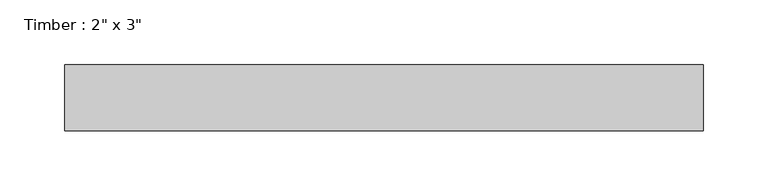
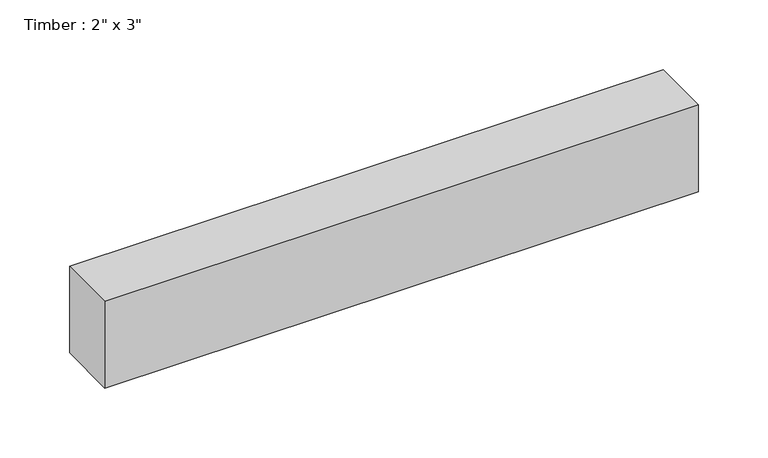
"""IFC4 building model written with IfcOpenShell, lengths in millimetres: beam geometry."""

import ifcopenshell
import ifcopenshell.guid

model = None  # the IFC model being written
_history = None  # IfcOwnerHistory: only IFC2X3 demands one
_inside = {}  # id of a spatial element -> (the spatial element, [elements in it])
_under = {}  # id of a project, library or spatial element -> (it, [spatial elements below it])
_declared = {}  # id of a project -> (the project, [libraries it declares])
_typed = {}  # id of a type object -> (the type object, [elements of that type])
_made_of = {}  # id of a material, layer set ... -> (it, [elements and type objects made of it])


def new_model(schema):
    """Start an empty IFC model of exactly this schema.

    Asked for "IFC4X3", IfcOpenShell would pick the latest addendum, in which some entities
    have other attributes; the version numbers below select the first issue.
    IFC2X3 requires an IfcOwnerHistory on every rooted entity: one is made here for all.
    """
    global model, _history
    if schema == "IFC4X3":
        model = ifcopenshell.file(schema_version=(4, 3, 0, 0))
    else:
        model = ifcopenshell.file(schema=schema)
    _inside.clear()
    _under.clear()
    _declared.clear()
    _typed.clear()
    _made_of.clear()
    _history = None
    if model.schema == "IFC2X3":
        org = make("IfcOrganization", Name="unknown")
        user = make(
            "IfcPersonAndOrganization",
            ThePerson=make("IfcPerson", FamilyName="unknown"),
            TheOrganization=org,
        )
        app = make(
            "IfcApplication",
            ApplicationDeveloper=org,
            Version="unknown",
            ApplicationFullName="unknown",
            ApplicationIdentifier="unknown",
        )
        _history = make(
            "IfcOwnerHistory",
            OwningUser=user,
            OwningApplication=app,
            ChangeAction="ADDED",
            CreationDate=0,
        )
    return model


def make(cls, **values):
    """One entity of the class cls with the attributes given. An attribute that is None is left unset."""
    return model.create_entity(
        cls, **{name: value for name, value in values.items() if value is not None}
    )


def rooted(cls, **values):
    """An entity with a GlobalId (a new one), such as an element, a storey or a relation."""
    return make(cls, GlobalId=ifcopenshell.guid.new(), OwnerHistory=_history, **values)


def si_unit(unit_type, name, prefix=None):
    """IfcSIUnit, for example si_unit("LENGTHUNIT", "METRE", prefix="MILLI")."""
    return make("IfcSIUnit", UnitType=unit_type, Prefix=prefix, Name=name)


def assignment(units):
    """IfcUnitAssignment: the units of a project."""
    return None if units is None else make("IfcUnitAssignment", Units=units)


def point(xyz):
    """IfcCartesianPoint."""
    return None if xyz is None else make("IfcCartesianPoint", Coordinates=xyz)


def direction(xyz):
    """IfcDirection."""
    return None if xyz is None else make("IfcDirection", DirectionRatios=xyz)


def frame(location, z_axis=None, x_axis=None):
    """IfcAxis2Placement3D, a coordinate frame: its origin and axes. An axis left out is left unset."""
    return make(
        "IfcAxis2Placement3D",
        Location=point(location),
        Axis=direction(z_axis),
        RefDirection=direction(x_axis),
    )


def origin():
    """The frame at (0, 0, 0) with its axes left unset."""
    return frame((0.0, 0.0, 0.0))


def place(relative_to, where):
    """IfcLocalPlacement: puts the frame where relative to a parent placement (None: the world)."""
    return make(
        "IfcLocalPlacement", PlacementRelTo=relative_to, RelativePlacement=where
    )


def context(
    kind, dimensions, precision=None, world=None, true_north=None, identifier=None
):
    """IfcGeometricRepresentationContext, for example the 3D "Model" context."""
    return make(
        "IfcGeometricRepresentationContext",
        ContextIdentifier=identifier,
        ContextType=kind,
        CoordinateSpaceDimension=dimensions,
        Precision=precision,
        WorldCoordinateSystem=world,
        TrueNorth=true_north,
    )


def project(units=None, contexts=None):
    """IfcProject with its units and contexts."""
    return rooted(
        "IfcProject",
        Name="project",
        RepresentationContexts=contexts,
        UnitsInContext=assignment(units),
    )


def spatial(cls, under=None, at=None, **own):
    """A site, building, storey or space (cls), placed at a placement, below another one or the project."""
    s = rooted(cls, ObjectPlacement=at, **own)
    if under is not None:
        _under.setdefault(under.id(), (under, []))[1].append(s)
    return s


def polyline(points):
    """IfcPolyline through the points."""
    return make("IfcPolyline", Points=[point(p) for p in points])


def outline(outer, holes=None, kind="AREA"):
    """IfcArbitraryClosedProfileDef: a profile drawn as a closed curve; with holes, ...WithVoids."""
    if holes is None:
        return make("IfcArbitraryClosedProfileDef", ProfileType=kind, OuterCurve=outer)
    return make(
        "IfcArbitraryProfileDefWithVoids",
        ProfileType=kind,
        OuterCurve=outer,
        InnerCurves=holes,
    )


def extrude(swept, where, along, depth):
    """IfcExtrudedAreaSolid: the profile swept, set in the frame where, extruded along a direction by depth."""
    return make(
        "IfcExtrudedAreaSolid",
        SweptArea=swept,
        Position=where,
        ExtrudedDirection=direction(along),
        Depth=depth,
    )


def shape(context_of_items, identifier, shape_type, items):
    """IfcShapeRepresentation: the items that make up one representation, for example the "Body"."""
    return make(
        "IfcShapeRepresentation",
        ContextOfItems=context_of_items,
        RepresentationIdentifier=identifier,
        RepresentationType=shape_type,
        Items=items,
    )


def source(mapping_origin, context_of_items, identifier, shape_type, items):
    """IfcRepresentationMap: a shape defined once, which mapped items show again and again."""
    return make(
        "IfcRepresentationMap",
        MappingOrigin=mapping_origin,
        MappedRepresentation=shape(context_of_items, identifier, shape_type, items),
    )


def transform(
    local_origin,
    x_axis=None,
    y_axis=None,
    z_axis=None,
    scale=None,
    scale2=None,
    scale3=None,
    uniform=True,
):
    """IfcCartesianTransformationOperator3D, or its non-uniform kind. x_axis, y_axis, z_axis: its Axis1, 2, 3."""
    if uniform:
        return make(
            "IfcCartesianTransformationOperator3D",
            Axis1=direction(x_axis),
            Axis2=direction(y_axis),
            LocalOrigin=point(local_origin),
            Scale=scale,
            Axis3=direction(z_axis),
        )
    return make(
        "IfcCartesianTransformationOperator3DnonUniform",
        Axis1=direction(x_axis),
        Axis2=direction(y_axis),
        LocalOrigin=point(local_origin),
        Scale=scale,
        Axis3=direction(z_axis),
        Scale2=scale2,
        Scale3=scale3,
    )


def mapped(mapping_source, mapping_target):
    """IfcMappedItem: shows the shape of a source again, moved by a transform."""
    return make(
        "IfcMappedItem", MappingSource=mapping_source, MappingTarget=mapping_target
    )


def made_of(thing, what):
    """Note that an element or type object is made of a material, layer set ...; save() writes the relation."""
    if what is not None:
        _made_of.setdefault(what.id(), (what, []))[1].append(thing)
    return thing


def element(
    cls,
    number,
    at=None,
    inside=None,
    cuts=None,
    type_object=None,
    material=None,
    context=None,
    identifier="Body",
    shape_type=None,
    held_by="IfcProductDefinitionShape",
    body=None,
    shapes=None,
    **own,
):
    """One element of the class cls, such as IfcWall. Its Tag is "e" and its number.

    at: its placement. inside: the storey or other place that contains it. cuts: it is an
    opening in that element (IfcRelVoidsElement). A single representation is given by context,
    identifier, shape_type and body (its items); several are given by shapes. held_by: the class
    of the entity that holds the representations. save() writes the other relations.
    """
    e = rooted(cls, Tag="e%d" % number, ObjectPlacement=at, **own)
    if body is not None:
        shapes = [shape(context, identifier, shape_type, body)]
    if shapes is not None:
        e.Representation = make(held_by, Representations=shapes)
    if inside is not None:
        _inside.setdefault(inside.id(), (inside, []))[1].append(e)
    if cuts is not None:
        rooted(
            "IfcRelVoidsElement", RelatingBuildingElement=cuts, RelatedOpeningElement=e
        )
    if type_object is not None:
        _typed.setdefault(type_object.id(), (type_object, []))[1].append(e)
    return made_of(e, material)


def aggregate(whole, parts):
    """IfcRelAggregates: a whole, such as a stair, and the parts it consists of."""
    return rooted("IfcRelAggregates", RelatingObject=whole, RelatedObjects=parts)


def save(model, path):
    """Write the relations noted so far, then the file.

    IfcRelAggregates (storeys below a building ...), IfcRelContainedInSpatialStructure (elements
    in a storey), IfcRelDefinesByType, IfcRelAssociatesMaterial and IfcRelDeclares: one each for
    every whole, place, type object, material and project.
    """
    for whole, parts in _under.values():
        aggregate(whole, parts)
    for where, things in _inside.values():
        rooted(
            "IfcRelContainedInSpatialStructure",
            RelatedElements=things,
            RelatingStructure=where,
        )
    for kind, things in _typed.values():
        rooted("IfcRelDefinesByType", RelatedObjects=things, RelatingType=kind)
    for what, things in _made_of.values():
        rooted("IfcRelAssociatesMaterial", RelatedObjects=things, RelatingMaterial=what)
    for by, libraries in _declared.values():
        rooted("IfcRelDeclares", RelatingContext=by, RelatedDefinitions=libraries)
    model.write(path)


def beam_f7a2c6fe(model_context):
    return source(origin(), model_context, "Body", "SweptSolid", [
        extrude(outline(polyline([(246.2010148, 25.4), (246.2010148, -25.4), (-246.2010148, -25.4), (-246.2010148, 25.4), (246.2010148, 25.4)])), frame((0.0, 0.0, -38.1), z_axis=(0.0, 0.0, 1.0), x_axis=(1.0, 0.0, 0.0)), (0.0, 0.0, 1.0), 76.2),
    ])


if __name__ == "__main__":
    model = new_model("IFC4")
    model_context = context("Model", 3, world=origin())
    ifc_project = project(units=[si_unit("LENGTHUNIT", "METRE", prefix="MILLI")], contexts=[model_context])
    site = spatial("IfcSite", under=ifc_project)
    building = spatial("IfcBuilding", under=site)
    placement = place(None, origin())
    beam_shape = beam_f7a2c6fe(model_context)
    element("IfcBeam", 1, ObjectType="Timber : 2\" x 3\"", at=placement, inside=building, context=model_context, shape_type="MappedRepresentation", body=[
        mapped(beam_shape, transform((0.0, 0.0, 0.0), x_axis=(1.0, 0.0, 0.0), y_axis=(0.0, 1.0, 0.0), z_axis=(0.0, 0.0, 1.0))),
    ])
    save(model, "model.ifc")
